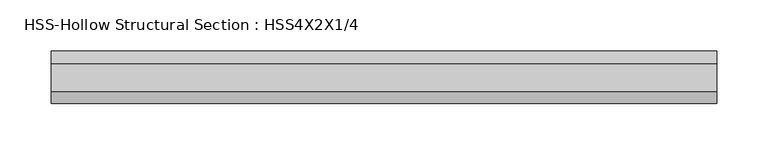
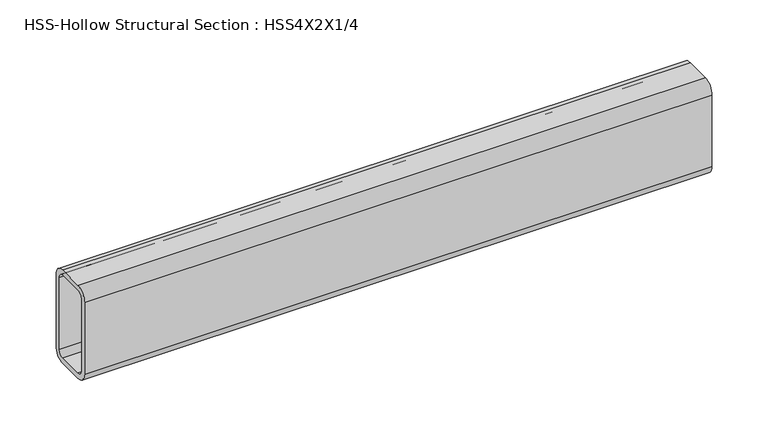
"""IFC4 building model written with IfcOpenShell, lengths in millimetres: beam geometry, HSS-Hollow Structural Section : HSS4X2X1/4."""

import ifcopenshell
import ifcopenshell.guid

model = None  # the IFC model being written
_history = None  # IfcOwnerHistory: only IFC2X3 demands one
_inside = {}  # id of a spatial element -> (the spatial element, [elements in it])
_under = {}  # id of a project, library or spatial element -> (it, [spatial elements below it])
_declared = {}  # id of a project -> (the project, [libraries it declares])
_typed = {}  # id of a type object -> (the type object, [elements of that type])
_made_of = {}  # id of a material, layer set ... -> (it, [elements and type objects made of it])


def new_model(schema):
    """Start an empty IFC model of exactly this schema.

    Asked for "IFC4X3", IfcOpenShell would pick the latest addendum, in which some entities
    have other attributes; the version numbers below select the first issue.
    IFC2X3 requires an IfcOwnerHistory on every rooted entity: one is made here for all.
    """
    global model, _history
    if schema == "IFC4X3":
        model = ifcopenshell.file(schema_version=(4, 3, 0, 0))
    else:
        model = ifcopenshell.file(schema=schema)
    _inside.clear()
    _under.clear()
    _declared.clear()
    _typed.clear()
    _made_of.clear()
    _history = None
    if model.schema == "IFC2X3":
        org = make("IfcOrganization", Name="unknown")
        user = make(
            "IfcPersonAndOrganization",
            ThePerson=make("IfcPerson", FamilyName="unknown"),
            TheOrganization=org,
        )
        app = make(
            "IfcApplication",
            ApplicationDeveloper=org,
            Version="unknown",
            ApplicationFullName="unknown",
            ApplicationIdentifier="unknown",
        )
        _history = make(
            "IfcOwnerHistory",
            OwningUser=user,
            OwningApplication=app,
            ChangeAction="ADDED",
            CreationDate=0,
        )
    return model


def make(cls, **values):
    """One entity of the class cls with the attributes given. An attribute that is None is left unset."""
    return model.create_entity(
        cls, **{name: value for name, value in values.items() if value is not None}
    )


def rooted(cls, **values):
    """An entity with a GlobalId (a new one), such as an element, a storey or a relation."""
    return make(cls, GlobalId=ifcopenshell.guid.new(), OwnerHistory=_history, **values)


def si_unit(unit_type, name, prefix=None):
    """IfcSIUnit, for example si_unit("LENGTHUNIT", "METRE", prefix="MILLI")."""
    return make("IfcSIUnit", UnitType=unit_type, Prefix=prefix, Name=name)


def assignment(units):
    """IfcUnitAssignment: the units of a project."""
    return None if units is None else make("IfcUnitAssignment", Units=units)


def point(xyz):
    """IfcCartesianPoint."""
    return None if xyz is None else make("IfcCartesianPoint", Coordinates=xyz)


def direction(xyz):
    """IfcDirection."""
    return None if xyz is None else make("IfcDirection", DirectionRatios=xyz)


def frame(location, z_axis=None, x_axis=None):
    """IfcAxis2Placement3D, a coordinate frame: its origin and axes. An axis left out is left unset."""
    return make(
        "IfcAxis2Placement3D",
        Location=point(location),
        Axis=direction(z_axis),
        RefDirection=direction(x_axis),
    )


def frame_2d(location, x_axis=None):
    """IfcAxis2Placement2D, a coordinate frame in the plane: its origin and x axis."""
    return make(
        "IfcAxis2Placement2D", Location=point(location), RefDirection=direction(x_axis)
    )


def origin():
    """The frame at (0, 0, 0) with its axes left unset."""
    return frame((0.0, 0.0, 0.0))


def place(relative_to, where):
    """IfcLocalPlacement: puts the frame where relative to a parent placement (None: the world)."""
    return make(
        "IfcLocalPlacement", PlacementRelTo=relative_to, RelativePlacement=where
    )


def context(
    kind, dimensions, precision=None, world=None, true_north=None, identifier=None
):
    """IfcGeometricRepresentationContext, for example the 3D "Model" context."""
    return make(
        "IfcGeometricRepresentationContext",
        ContextIdentifier=identifier,
        ContextType=kind,
        CoordinateSpaceDimension=dimensions,
        Precision=precision,
        WorldCoordinateSystem=world,
        TrueNorth=true_north,
    )


def project(units=None, contexts=None):
    """IfcProject with its units and contexts."""
    return rooted(
        "IfcProject",
        Name="project",
        RepresentationContexts=contexts,
        UnitsInContext=assignment(units),
    )


def spatial(cls, under=None, at=None, **own):
    """A site, building, storey or space (cls), placed at a placement, below another one or the project."""
    s = rooted(cls, ObjectPlacement=at, **own)
    if under is not None:
        _under.setdefault(under.id(), (under, []))[1].append(s)
    return s


def polyline(points):
    """IfcPolyline through the points."""
    return make("IfcPolyline", Points=[point(p) for p in points])


def circle_curve(where, radius):
    """IfcCircle in the frame where."""
    return make("IfcCircle", Position=where, Radius=radius)


def trimmed(basis, trim1, trim2, sense, master):
    """IfcTrimmedCurve: the piece of a basis curve between two trims."""
    return make(
        "IfcTrimmedCurve",
        BasisCurve=basis,
        Trim1=trim1,
        Trim2=trim2,
        SenseAgreement=sense,
        MasterRepresentation=master,
    )


def segment(curve, same_sense, transition):
    """IfcCompositeCurveSegment."""
    return make(
        "IfcCompositeCurveSegment",
        Transition=transition,
        SameSense=same_sense,
        ParentCurve=curve,
    )


def composite_curve(segments, self_intersect=None):
    """IfcCompositeCurve: segments joined end to end."""
    return make("IfcCompositeCurve", Segments=segments, SelfIntersect=self_intersect)


def outline(outer, holes=None, kind="AREA"):
    """IfcArbitraryClosedProfileDef: a profile drawn as a closed curve; with holes, ...WithVoids."""
    if holes is None:
        return make("IfcArbitraryClosedProfileDef", ProfileType=kind, OuterCurve=outer)
    return make(
        "IfcArbitraryProfileDefWithVoids",
        ProfileType=kind,
        OuterCurve=outer,
        InnerCurves=holes,
    )


def extrude(swept, where, along, depth):
    """IfcExtrudedAreaSolid: the profile swept, set in the frame where, extruded along a direction by depth."""
    return make(
        "IfcExtrudedAreaSolid",
        SweptArea=swept,
        Position=where,
        ExtrudedDirection=direction(along),
        Depth=depth,
    )


def shape(context_of_items, identifier, shape_type, items):
    """IfcShapeRepresentation: the items that make up one representation, for example the "Body"."""
    return make(
        "IfcShapeRepresentation",
        ContextOfItems=context_of_items,
        RepresentationIdentifier=identifier,
        RepresentationType=shape_type,
        Items=items,
    )


def source(mapping_origin, context_of_items, identifier, shape_type, items):
    """IfcRepresentationMap: a shape defined once, which mapped items show again and again."""
    return make(
        "IfcRepresentationMap",
        MappingOrigin=mapping_origin,
        MappedRepresentation=shape(context_of_items, identifier, shape_type, items),
    )


def transform(
    local_origin,
    x_axis=None,
    y_axis=None,
    z_axis=None,
    scale=None,
    scale2=None,
    scale3=None,
    uniform=True,
):
    """IfcCartesianTransformationOperator3D, or its non-uniform kind. x_axis, y_axis, z_axis: its Axis1, 2, 3."""
    if uniform:
        return make(
            "IfcCartesianTransformationOperator3D",
            Axis1=direction(x_axis),
            Axis2=direction(y_axis),
            LocalOrigin=point(local_origin),
            Scale=scale,
            Axis3=direction(z_axis),
        )
    return make(
        "IfcCartesianTransformationOperator3DnonUniform",
        Axis1=direction(x_axis),
        Axis2=direction(y_axis),
        LocalOrigin=point(local_origin),
        Scale=scale,
        Axis3=direction(z_axis),
        Scale2=scale2,
        Scale3=scale3,
    )


def mapped(mapping_source, mapping_target):
    """IfcMappedItem: shows the shape of a source again, moved by a transform."""
    return make(
        "IfcMappedItem", MappingSource=mapping_source, MappingTarget=mapping_target
    )


def made_of(thing, what):
    """Note that an element or type object is made of a material, layer set ...; save() writes the relation."""
    if what is not None:
        _made_of.setdefault(what.id(), (what, []))[1].append(thing)
    return thing


def element(
    cls,
    number,
    at=None,
    inside=None,
    cuts=None,
    type_object=None,
    material=None,
    context=None,
    identifier="Body",
    shape_type=None,
    held_by="IfcProductDefinitionShape",
    body=None,
    shapes=None,
    **own,
):
    """One element of the class cls, such as IfcWall. Its Tag is "e" and its number.

    at: its placement. inside: the storey or other place that contains it. cuts: it is an
    opening in that element (IfcRelVoidsElement). A single representation is given by context,
    identifier, shape_type and body (its items); several are given by shapes. held_by: the class
    of the entity that holds the representations. save() writes the other relations.
    """
    e = rooted(cls, Tag="e%d" % number, ObjectPlacement=at, **own)
    if body is not None:
        shapes = [shape(context, identifier, shape_type, body)]
    if shapes is not None:
        e.Representation = make(held_by, Representations=shapes)
    if inside is not None:
        _inside.setdefault(inside.id(), (inside, []))[1].append(e)
    if cuts is not None:
        rooted(
            "IfcRelVoidsElement", RelatingBuildingElement=cuts, RelatedOpeningElement=e
        )
    if type_object is not None:
        _typed.setdefault(type_object.id(), (type_object, []))[1].append(e)
    return made_of(e, material)


def aggregate(whole, parts):
    """IfcRelAggregates: a whole, such as a stair, and the parts it consists of."""
    return rooted("IfcRelAggregates", RelatingObject=whole, RelatedObjects=parts)


def save(model, path):
    """Write the relations noted so far, then the file.

    IfcRelAggregates (storeys below a building ...), IfcRelContainedInSpatialStructure (elements
    in a storey), IfcRelDefinesByType, IfcRelAssociatesMaterial and IfcRelDeclares: one each for
    every whole, place, type object, material and project.
    """
    for whole, parts in _under.values():
        aggregate(whole, parts)
    for where, things in _inside.values():
        rooted(
            "IfcRelContainedInSpatialStructure",
            RelatedElements=things,
            RelatingStructure=where,
        )
    for kind, things in _typed.values():
        rooted("IfcRelDefinesByType", RelatedObjects=things, RelatingType=kind)
    for what, things in _made_of.values():
        rooted("IfcRelAssociatesMaterial", RelatedObjects=things, RelatingMaterial=what)
    for by, libraries in _declared.values():
        rooted("IfcRelDeclares", RelatingContext=by, RelatedDefinitions=libraries)
    model.write(path)


def hss_hollow_structural_section_hss4x2x1_4_60775705(model_context):
    return source(origin(), model_context, "Body", "SweptSolid", [
        extrude(outline(composite_curve([segment(polyline([(25.4, 38.9636), (25.4, -38.9636)]), True, "CONTINUOUS"), segment(trimmed(circle_curve(frame_2d((13.5636, -38.9636)), 11.8364), [point((25.4, -38.9636))], [point((13.5636, -50.8))], False, "CARTESIAN"), True, "CONTINUOUS"), segment(polyline([(13.5636, -50.8), (-13.5636, -50.8)]), True, "CONTINUOUS"), segment(trimmed(circle_curve(frame_2d((-13.5636, -38.9636)), 11.8364), [point((-13.5636, -50.8))], [point((-25.4, -38.9636))], False, "CARTESIAN"), True, "CONTINUOUS"), segment(polyline([(-25.4, -38.9636), (-25.4, 38.9636)]), True, "CONTINUOUS"), segment(trimmed(circle_curve(frame_2d((-13.5636, 38.9636)), 11.8364), [point((-25.4, 38.9636))], [point((-13.5636, 50.8))], False, "CARTESIAN"), True, "CONTINUOUS"), segment(polyline([(-13.5636, 50.8), (13.5636, 50.8)]), True, "CONTINUOUS"), segment(trimmed(circle_curve(frame_2d((13.5636, 38.9636)), 11.8364), [point((13.5636, 50.8))], [point((25.4, 38.9636))], False, "CARTESIAN"), True, "CONTINUOUS")], self_intersect=False), holes=[composite_curve([segment(trimmed(circle_curve(frame_2d((-13.5636, 38.9636)), 5.9182), [point((-13.5636, 44.8818))], [point((-19.4818, 38.9636))], True, "CARTESIAN"), True, "CONTINUOUS"), segment(polyline([(-19.4818, 38.9636), (-19.4818, -38.9636)]), True, "CONTINUOUS"), segment(trimmed(circle_curve(frame_2d((-13.5636, -38.9636)), 5.9182), [point((-19.4818, -38.9636))], [point((-13.5636, -44.8818))], True, "CARTESIAN"), True, "CONTINUOUS"), segment(polyline([(-13.5636, -44.8818), (13.5636, -44.8818)]), True, "CONTINUOUS"), segment(trimmed(circle_curve(frame_2d((13.5636, -38.9636)), 5.9182), [point((13.5636, -44.8818))], [point((19.4818, -38.9636))], True, "CARTESIAN"), True, "CONTINUOUS"), segment(polyline([(19.4818, -38.9636), (19.4818, 38.9636)]), True, "CONTINUOUS"), segment(trimmed(circle_curve(frame_2d((13.5636, 38.9636)), 5.9182), [point((19.4818, 38.9636))], [point((13.5636, 44.8818))], True, "CARTESIAN"), True, "CONTINUOUS"), segment(polyline([(13.5636, 44.8818), (-13.5636, 44.8818)]), True, "CONTINUOUS")], self_intersect=False)]), frame((-323.21246, 0.0, 0.0), z_axis=(1.0, 0.0, 0.0), x_axis=(0.0, 1.0, 0.0)), (0.0, 0.0, 1.0), 646.42492),
    ])


if __name__ == "__main__":
    model = new_model("IFC4")
    model_context = context("Model", 3, world=origin())
    ifc_project = project(units=[si_unit("LENGTHUNIT", "METRE", prefix="MILLI")], contexts=[model_context])
    site = spatial("IfcSite", under=ifc_project)
    building = spatial("IfcBuilding", under=site)
    placement = place(None, origin())
    hss_hollow_structural_section_hss4x2x1_4_shape = hss_hollow_structural_section_hss4x2x1_4_60775705(model_context)
    element("IfcBeam", 1, ObjectType="HSS-Hollow Structural Section : HSS4X2X1/4", at=placement, inside=building, context=model_context, shape_type="MappedRepresentation", body=[
        mapped(hss_hollow_structural_section_hss4x2x1_4_shape, transform((0.0, 0.0, 0.0), x_axis=(1.0, 0.0, 0.0), y_axis=(0.0, 1.0, 0.0), z_axis=(0.0, 0.0, 1.0))),
    ])
    save(model, "model.ifc")
